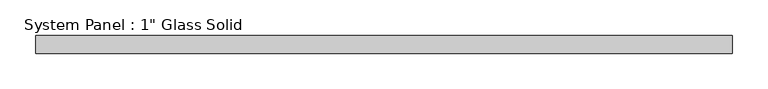
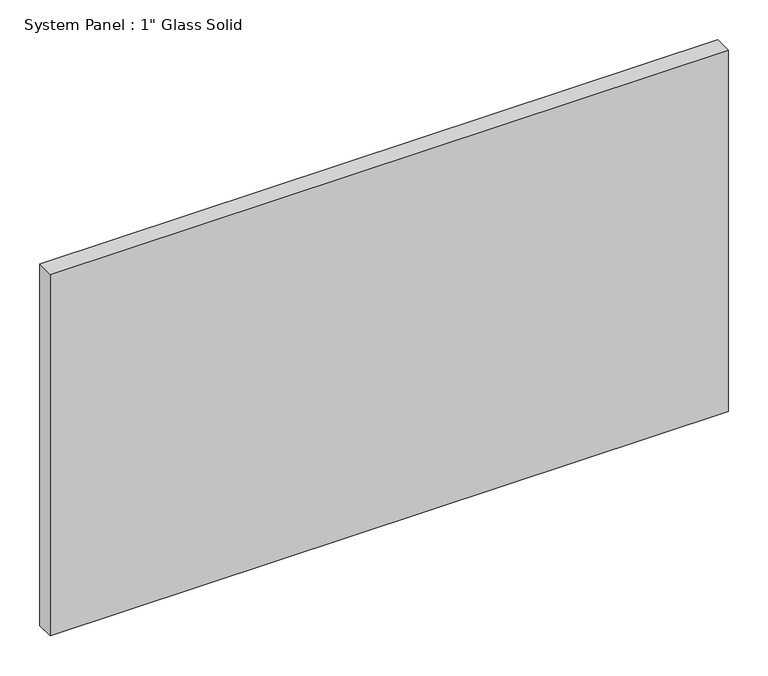
"""IFC4 building model written with IfcOpenShell, lengths in millimetres: plate geometry."""

from ifc_helpers import new_model, si_unit, origin, origin_with_axes, place, context, project, spatial, polyline, outline, extrude, source, transform, mapped, element, save


def plate_500529f6(model_context):
    return source(origin(), model_context, "Body", "SweptSolid", [
        extrude(outline(polyline([(489.9239953, -12.7), (-489.9239953, -12.7), (-489.9239953, 12.7), (489.9239953, 12.7), (489.9239953, -12.7)])), origin_with_axes(), (0.0, 0.0, 1.0), 552.4517704),
    ])


if __name__ == "__main__":
    model = new_model("IFC4")
    model_context = context("Model", 3, world=origin())
    ifc_project = project(units=[si_unit("LENGTHUNIT", "METRE", prefix="MILLI")], contexts=[model_context])
    site = spatial("IfcSite", under=ifc_project)
    building = spatial("IfcBuilding", under=site)
    placement = place(None, origin())
    plate_shape = plate_500529f6(model_context)
    element("IfcPlate", 1, ObjectType="System Panel : 1\" Glass Solid", at=placement, inside=building, context=model_context, shape_type="MappedRepresentation", body=[
        mapped(plate_shape, transform((0.0, 0.0, 0.0), x_axis=(1.0, 0.0, 0.0), y_axis=(0.0, 1.0, 0.0), z_axis=(0.0, 0.0, 1.0))),
    ])
    save(model, "model.ifc")
